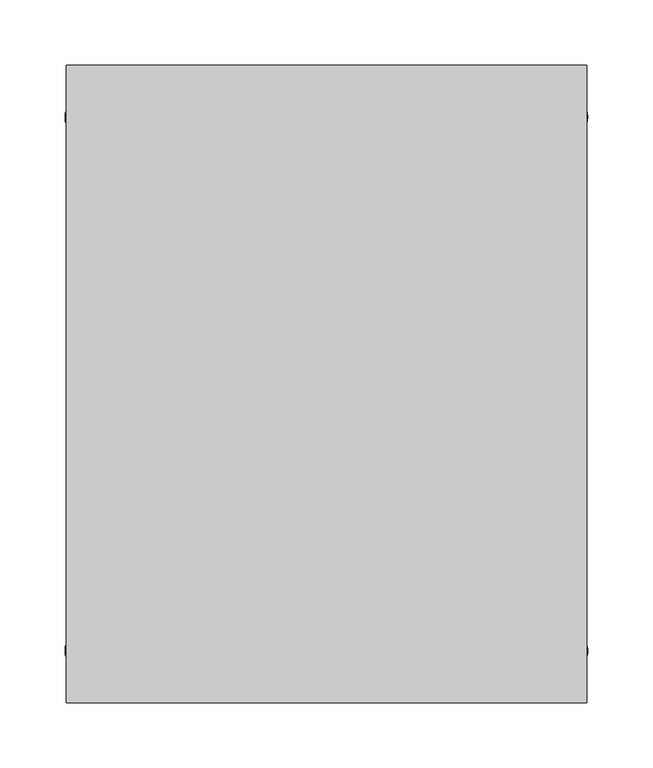
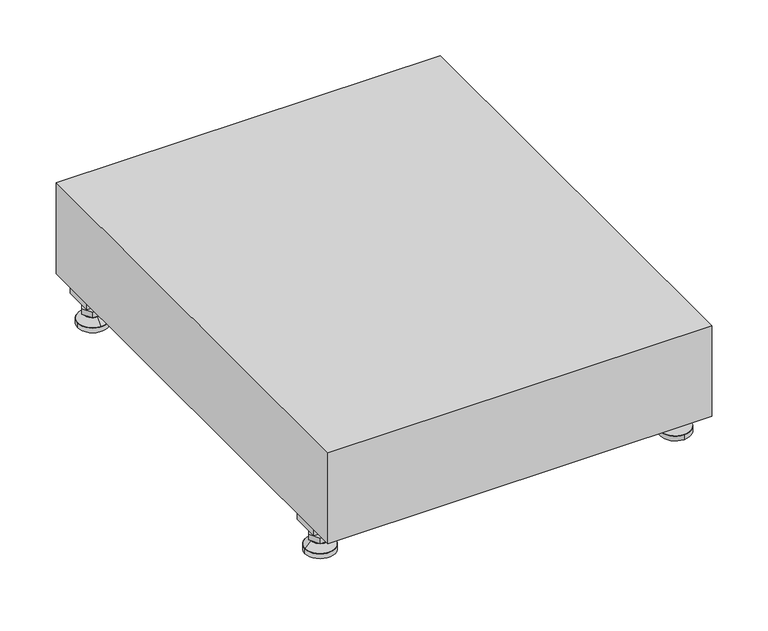
"""IFC4 building model written with IfcOpenShell, lengths in millimetres: furniture geometry."""

from ifc_helpers import new_model, si_unit, point, frame, frame_2d, origin, origin_with_axes, place, context, project, spatial, polyline, circle_curve, trimmed, segment, composite_curve, outline, extrude, source, transform, mapped, element, save
from ifc_brep_helpers import plane_surface, revolved_surface, advanced_brep


def furniture_e2d35288(model_context):
    return source(origin(), model_context, "Body", "SolidModel", [
        extrude(outline(polyline([(-200.0, 245.0), (200.0, 245.0), (200.0, -245.0), (-200.0, -245.0), (-200.0, 245.0)])), frame((0.0, 0.0, 35.0), z_axis=(0.0, 0.0, 1.0), x_axis=(1.0, 0.0, 0.0)), (0.0, 0.0, 1.0), 100.0),
        extrude(outline(polyline([(200.0, 220.0), (200.0, 190.0), (170.0, 190.0), (170.0, 220.0), (200.0, 220.0)]), holes=[polyline([(198.0, 218.0), (172.0, 218.0), (172.0, 192.0), (198.0, 192.0), (198.0, 218.0)])]), frame((0.0, 0.0, 28.5), z_axis=(0.0, 0.0, 1.0), x_axis=(1.0, 0.0, 0.0)), (0.0, 0.0, 1.0), 6.5),
        extrude(outline(polyline([(170.0, -220.0), (170.0, -190.0), (200.0, -190.0), (200.0, -220.0), (170.0, -220.0)]), holes=[polyline([(172.0, -218.0), (198.0, -218.0), (198.0, -192.0), (172.0, -192.0), (172.0, -218.0)])]), frame((0.0, 0.0, 28.5), z_axis=(0.0, 0.0, 1.0), x_axis=(1.0, 0.0, 0.0)), (0.0, 0.0, 1.0), 6.5),
        extrude(outline(polyline([(-170.0, 220.0), (-170.0, 190.0), (-200.0, 190.0), (-200.0, 220.0), (-170.0, 220.0)]), holes=[polyline([(-172.0, 218.0), (-198.0, 218.0), (-198.0, 192.0), (-172.0, 192.0), (-172.0, 218.0)])]), frame((0.0, 0.0, 28.5), z_axis=(0.0, 0.0, 1.0), x_axis=(1.0, 0.0, 0.0)), (0.0, 0.0, 1.0), 6.5),
        extrude(outline(polyline([(-170.0, -190.0), (-170.0, -220.0), (-200.0, -220.0), (-200.0, -190.0), (-170.0, -190.0)]), holes=[polyline([(-198.0, -218.0), (-172.0, -218.0), (-172.0, -192.0), (-198.0, -192.0), (-198.0, -218.0)])]), frame((0.0, 0.0, 28.5), z_axis=(0.0, 0.0, 1.0), x_axis=(1.0, 0.0, 0.0)), (0.0, 0.0, 1.0), 6.5),
        extrude(outline(composite_curve([segment(trimmed(circle_curve(frame_2d((-185.0, 205.0)), 5.0), [point((-180.0, 205.0))], [point((-190.0, 205.0))], False, "CARTESIAN"), True, "CONTINUOUS"), segment(trimmed(circle_curve(frame_2d((-185.0, 205.0)), 5.0), [point((-190.0, 205.0))], [point((-180.0, 205.0))], False, "CARTESIAN"), True, "CONTINUOUS")], self_intersect=False)), frame((0.0, 0.0, 19.6), z_axis=(0.0, 0.0, 1.0), x_axis=(1.0, 0.0, 0.0)), (0.0, 0.0, 1.0), 15.4),
        extrude(outline(composite_curve([segment(trimmed(circle_curve(frame_2d((-185.0, -205.0)), 5.0), [point((-180.0, -205.0))], [point((-190.0, -205.0))], False, "CARTESIAN"), True, "CONTINUOUS"), segment(trimmed(circle_curve(frame_2d((-185.0, -205.0)), 5.0), [point((-190.0, -205.0))], [point((-180.0, -205.0))], False, "CARTESIAN"), True, "CONTINUOUS")], self_intersect=False)), frame((0.0, 0.0, 19.6), z_axis=(0.0, 0.0, 1.0), x_axis=(1.0, 0.0, 0.0)), (0.0, 0.0, 1.0), 15.4),
        extrude(outline(composite_curve([segment(trimmed(circle_curve(frame_2d((185.0, 205.0)), 5.0), [point((190.0, 205.0))], [point((180.0, 205.0))], False, "CARTESIAN"), True, "CONTINUOUS"), segment(trimmed(circle_curve(frame_2d((185.0, 205.0)), 5.0), [point((180.0, 205.0))], [point((190.0, 205.0))], False, "CARTESIAN"), True, "CONTINUOUS")], self_intersect=False)), frame((0.0, 0.0, 19.6), z_axis=(0.0, 0.0, 1.0), x_axis=(1.0, 0.0, 0.0)), (0.0, 0.0, 1.0), 15.4),
        extrude(outline(polyline([(173.4529946, 205.0), (179.2264973, 215.0), (190.7735027, 215.0), (196.5470054, 205.0), (190.7735027, 195.0), (179.2264973, 195.0), (173.4529946, 205.0)])), frame((0.0, 0.0, 13.6), z_axis=(0.0, 0.0, 1.0), x_axis=(1.0, 0.0, 0.0)), (0.0, 0.0, 1.0), 6.0),
        extrude(outline(composite_curve([segment(trimmed(circle_curve(frame_2d((185.0, -205.0)), 5.0), [point((190.0, -205.0))], [point((180.0, -205.0))], False, "CARTESIAN"), True, "CONTINUOUS"), segment(trimmed(circle_curve(frame_2d((185.0, -205.0)), 5.0), [point((180.0, -205.0))], [point((190.0, -205.0))], False, "CARTESIAN"), True, "CONTINUOUS")], self_intersect=False)), frame((0.0, 0.0, 19.6), z_axis=(0.0, 0.0, 1.0), x_axis=(1.0, 0.0, 0.0)), (0.0, 0.0, 1.0), 15.4),
        extrude(outline(polyline([(173.4529946, -205.0), (179.2264973, -195.0), (190.7735027, -195.0), (196.5470054, -205.0), (190.7735027, -215.0), (179.2264973, -215.0), (173.4529946, -205.0)])), frame((0.0, 0.0, 13.6), z_axis=(0.0, 0.0, 1.0), x_axis=(1.0, 0.0, 0.0)), (0.0, 0.0, 1.0), 6.0),
        extrude(outline(composite_curve([segment(trimmed(circle_curve(frame_2d((185.0, 205.0)), 5.0), [point((190.0, 205.0))], [point((180.0, 205.0))], False, "CARTESIAN"), True, "CONTINUOUS"), segment(trimmed(circle_curve(frame_2d((185.0, 205.0)), 5.0), [point((180.0, 205.0))], [point((190.0, 205.0))], False, "CARTESIAN"), True, "CONTINUOUS")], self_intersect=False)), frame((0.0, 0.0, 12.1), z_axis=(0.0, 0.0, 1.0), x_axis=(1.0, 0.0, 0.0)), (0.0, 0.0, 1.0), 1.5),
        extrude(outline(composite_curve([segment(trimmed(circle_curve(frame_2d((185.0, -205.0)), 5.0), [point((190.0, -205.0))], [point((180.0, -205.0))], False, "CARTESIAN"), True, "CONTINUOUS"), segment(trimmed(circle_curve(frame_2d((185.0, -205.0)), 5.0), [point((180.0, -205.0))], [point((190.0, -205.0))], False, "CARTESIAN"), True, "CONTINUOUS")], self_intersect=False)), frame((0.0, 0.0, 12.1), z_axis=(0.0, 0.0, 1.0), x_axis=(1.0, 0.0, 0.0)), (0.0, 0.0, 1.0), 1.5),
        extrude(outline(polyline([(-196.5470054, 205.0), (-190.7735027, 215.0), (-179.2264973, 215.0), (-173.4529946, 205.0), (-179.2264973, 195.0), (-190.7735027, 195.0), (-196.5470054, 205.0)])), frame((0.0, 0.0, 13.6), z_axis=(0.0, 0.0, 1.0), x_axis=(1.0, 0.0, 0.0)), (0.0, 0.0, 1.0), 6.0),
        extrude(outline(polyline([(-196.5470054, -205.0), (-190.7735027, -195.0), (-179.2264973, -195.0), (-173.4529946, -205.0), (-179.2264973, -215.0), (-190.7735027, -215.0), (-196.5470054, -205.0)])), frame((0.0, 0.0, 13.6), z_axis=(0.0, 0.0, 1.0), x_axis=(1.0, 0.0, 0.0)), (0.0, 0.0, 1.0), 6.0),
        extrude(outline(composite_curve([segment(trimmed(circle_curve(frame_2d((-185.0, 205.0)), 5.0), [point((-185.0, 210.0))], [point((-185.0, 200.0))], False, "CARTESIAN"), True, "CONTINUOUS"), segment(trimmed(circle_curve(frame_2d((-185.0, 205.0)), 5.0), [point((-185.0, 200.0))], [point((-185.0, 210.0))], False, "CARTESIAN"), True, "CONTINUOUS")], self_intersect=False)), frame((0.0, 0.0, 12.1), z_axis=(0.0, 0.0, 1.0), x_axis=(1.0, 0.0, 0.0)), (0.0, 0.0, 1.0), 1.5),
        extrude(outline(composite_curve([segment(trimmed(circle_curve(frame_2d((-185.0, -205.0)), 5.0), [point((-180.0, -205.0))], [point((-190.0, -205.0))], False, "CARTESIAN"), True, "CONTINUOUS"), segment(trimmed(circle_curve(frame_2d((-185.0, -205.0)), 5.0), [point((-190.0, -205.0))], [point((-180.0, -205.0))], False, "CARTESIAN"), True, "CONTINUOUS")], self_intersect=False)), frame((0.0, 0.0, 12.1), z_axis=(0.0, 0.0, 1.0), x_axis=(1.0, 0.0, 0.0)), (0.0, 0.0, 1.0), 1.5),
        extrude(outline(composite_curve([segment(trimmed(circle_curve(frame_2d((185.0, 205.0)), 15.75), [point((200.75, 205.0))], [point((169.25, 205.0))], False, "CARTESIAN"), True, "CONTINUOUS"), segment(trimmed(circle_curve(frame_2d((185.0, 205.0)), 15.75), [point((169.25, 205.0))], [point((200.75, 205.0))], False, "CARTESIAN"), True, "CONTINUOUS")], self_intersect=False)), origin_with_axes(), (0.0, 0.0, 1.0), 5.1),
        extrude(outline(composite_curve([segment(trimmed(circle_curve(frame_2d((185.0, -205.0)), 15.75), [point((185.0, -189.25))], [point((185.0, -220.75))], False, "CARTESIAN"), True, "CONTINUOUS"), segment(trimmed(circle_curve(frame_2d((185.0, -205.0)), 15.75), [point((185.0, -220.75))], [point((185.0, -189.25))], False, "CARTESIAN"), True, "CONTINUOUS")], self_intersect=False)), origin_with_axes(), (0.0, 0.0, 1.0), 5.1),
        extrude(outline(composite_curve([segment(trimmed(circle_curve(frame_2d((-185.0, -205.0)), 15.75), [point((-169.25, -205.0))], [point((-200.75, -205.0))], False, "CARTESIAN"), True, "CONTINUOUS"), segment(trimmed(circle_curve(frame_2d((-185.0, -205.0)), 15.75), [point((-200.75, -205.0))], [point((-169.25, -205.0))], False, "CARTESIAN"), True, "CONTINUOUS")], self_intersect=False)), origin_with_axes(), (0.0, 0.0, 1.0), 5.1),
        extrude(outline(composite_curve([segment(trimmed(circle_curve(frame_2d((-185.0, 205.0)), 15.75), [point((-169.25, 205.0))], [point((-200.75, 205.0))], False, "CARTESIAN"), True, "CONTINUOUS"), segment(trimmed(circle_curve(frame_2d((-185.0, 205.0)), 15.75), [point((-200.75, 205.0))], [point((-169.25, 205.0))], False, "CARTESIAN"), True, "CONTINUOUS")], self_intersect=False)), origin_with_axes(), (0.0, 0.0, 1.0), 5.1),
        advanced_brep(
        [(-185.0, 220.75, 5.1), (-185.0, 189.25, 5.1), (-185.0, 214.5, 12.1), (-185.0, 195.5, 12.1)],
        [
            (0, 1, circle_curve(frame((-185.0, 205.0, 5.1), z_axis=(0.0, 0.0, -1.0), x_axis=(0.0, 1.0, 0.0)), 15.75)),
            (1, 0, circle_curve(frame((-185.0, 205.0, 5.1), z_axis=(0.0, 0.0, -1.0), x_axis=(0.0, -1.0, 0.0)), 15.75)),
            (2, 3, circle_curve(frame((-185.0, 205.0, 12.1), z_axis=(0.0, 0.0, 1.0), x_axis=(0.0, -1.0, 0.0)), 9.5)),
            (3, 2, circle_curve(frame((-185.0, 205.0, 12.1), z_axis=(0.0, 0.0, 1.0), x_axis=(0.0, 1.0, 0.0)), 9.5)),
            (3, 1),
            (0, 2),
        ],
        [
            plane_surface(frame((-185.0, 205.0, 5.1), z_axis=(0.0, 0.0, -1.0), x_axis=(1.0, 0.0, 0.0))),
            plane_surface(frame((-185.0, 205.0, 12.1), z_axis=(0.0, 0.0, 1.0), x_axis=(1.0, 0.0, 0.0))),
            revolved_surface(polyline([(-185.0, 195.5, 12.099999999999998), (-185.0, 189.25, 5.099999999999998)]), (-185.0, 205.0, 22.74), (0.0, 0.0, -1.0)),
            revolved_surface(polyline([(-185.0, 214.5, 12.099999999999998), (-185.0, 220.75, 5.099999999999998)]), (-185.0, 205.0, 22.74), (0.0, 0.0, -1.0)),
        ],
        [
            (0, [[1, 2]]),
            (1, [[3, 4]]),
            (2, [[-4, 5, -1, 6]]),
            (3, [[-3, -6, -2, -5]]),
        ],
    ),
        advanced_brep(
        [(185.0, 220.75, 5.1), (185.0, 189.25, 5.1), (185.0, 214.5, 12.1), (185.0, 195.5, 12.1)],
        [
            (0, 1, circle_curve(frame((185.0, 205.0, 5.1), z_axis=(0.0, 0.0, -1.0), x_axis=(0.0, 1.0, 0.0)), 15.75)),
            (1, 0, circle_curve(frame((185.0, 205.0, 5.1), z_axis=(0.0, 0.0, -1.0), x_axis=(0.0, -1.0, 0.0)), 15.75)),
            (2, 3, circle_curve(frame((185.0, 205.0, 12.1), z_axis=(0.0, 0.0, 1.0), x_axis=(0.0, -1.0, 0.0)), 9.5)),
            (3, 2, circle_curve(frame((185.0, 205.0, 12.1), z_axis=(0.0, 0.0, 1.0), x_axis=(0.0, 1.0, 0.0)), 9.5)),
            (3, 1),
            (0, 2),
        ],
        [
            plane_surface(frame((185.0, 205.0, 5.1), z_axis=(0.0, 0.0, -1.0), x_axis=(1.0, 0.0, 0.0))),
            plane_surface(frame((185.0, 205.0, 12.1), z_axis=(0.0, 0.0, 1.0), x_axis=(1.0, 0.0, 0.0))),
            revolved_surface(polyline([(185.0, 195.5, 12.099999999999998), (185.0, 189.25, 5.099999999999998)]), (185.0, 205.0, 22.74), (0.0, 0.0, -1.0)),
            revolved_surface(polyline([(185.0, 214.5, 12.099999999999998), (185.0, 220.75, 5.099999999999998)]), (185.0, 205.0, 22.74), (0.0, 0.0, -1.0)),
        ],
        [
            (0, [[1, 2]]),
            (1, [[3, 4]]),
            (2, [[-4, 5, -1, 6]]),
            (3, [[-3, -6, -2, -5]]),
        ],
    ),
        advanced_brep(
        [(194.5, -205.0, 12.1), (175.5, -205.0, 12.1), (200.75, -205.0, 5.1), (169.25, -205.0, 5.1)],
        [
            (0, 1, circle_curve(frame((185.0, -205.0, 12.1), z_axis=(0.0, 0.0, 1.0), x_axis=(1.0, 0.0, 0.0)), 9.5)),
            (1, 0, circle_curve(frame((185.0, -205.0, 12.1), z_axis=(0.0, 0.0, 1.0), x_axis=(-1.0, 0.0, 0.0)), 9.5)),
            (2, 3, circle_curve(frame((185.0, -205.0, 5.1), z_axis=(0.0, 0.0, -1.0), x_axis=(-1.0, 0.0, 0.0)), 15.75)),
            (3, 2, circle_curve(frame((185.0, -205.0, 5.1), z_axis=(0.0, 0.0, -1.0), x_axis=(1.0, 0.0, 0.0)), 15.75)),
            (3, 1),
            (0, 2),
        ],
        [
            plane_surface(frame((185.0, -205.0, 12.1), z_axis=(0.0, 0.0, 1.0), x_axis=(0.0, 1.0, 0.0))),
            plane_surface(frame((185.0, -205.0, 5.1), z_axis=(0.0, 0.0, -1.0), x_axis=(0.0, 1.0, 0.0))),
            revolved_surface(polyline([(194.5, -205.0, 12.099999999999998), (200.75, -205.0, 5.099999999999998)]), (185.0, -205.0, 22.74), (0.0, 0.0, -1.0)),
            revolved_surface(polyline([(175.5, -205.0, 12.099999999999998), (169.25, -205.0, 5.099999999999998)]), (185.0, -205.0, 22.74), (0.0, 0.0, -1.0)),
        ],
        [
            (0, [[1, 2]]),
            (1, [[3, 4]]),
            (2, [[-4, 5, -1, 6]]),
            (3, [[-3, -6, -2, -5]]),
        ],
    ),
        advanced_brep(
        [(-175.5, -205.0, 12.1), (-194.5, -205.0, 12.1), (-169.25, -205.0, 5.1), (-200.75, -205.0, 5.1)],
        [
            (0, 1, circle_curve(frame((-185.0, -205.0, 12.1), z_axis=(0.0, 0.0, 1.0), x_axis=(1.0, 0.0, 0.0)), 9.5)),
            (1, 0, circle_curve(frame((-185.0, -205.0, 12.1), z_axis=(0.0, 0.0, 1.0), x_axis=(-1.0, 0.0, 0.0)), 9.5)),
            (2, 3, circle_curve(frame((-185.0, -205.0, 5.1), z_axis=(0.0, 0.0, -1.0), x_axis=(-1.0, 0.0, 0.0)), 15.75)),
            (3, 2, circle_curve(frame((-185.0, -205.0, 5.1), z_axis=(0.0, 0.0, -1.0), x_axis=(1.0, 0.0, 0.0)), 15.75)),
            (3, 1),
            (0, 2),
        ],
        [
            plane_surface(frame((-185.0, -205.0, 12.1), z_axis=(0.0, 0.0, 1.0), x_axis=(0.0, 1.0, 0.0))),
            plane_surface(frame((-185.0, -205.0, 5.1), z_axis=(0.0, 0.0, -1.0), x_axis=(0.0, 1.0, 0.0))),
            revolved_surface(polyline([(-175.5, -205.0, 12.099999999999998), (-169.25, -205.0, 5.099999999999998)]), (-185.0, -205.0, 22.74), (0.0, 0.0, -1.0)),
            revolved_surface(polyline([(-194.5, -205.0, 12.099999999999998), (-200.75, -205.0, 5.099999999999998)]), (-185.0, -205.0, 22.74), (0.0, 0.0, -1.0)),
        ],
        [
            (0, [[1, 2]]),
            (1, [[3, 4]]),
            (2, [[-4, 5, -1, 6]]),
            (3, [[-3, -6, -2, -5]]),
        ],
    ),
    ])


if __name__ == "__main__":
    model = new_model("IFC4")
    model_context = context("Model", 3, world=origin())
    ifc_project = project(units=[si_unit("LENGTHUNIT", "METRE", prefix="MILLI")], contexts=[model_context])
    site = spatial("IfcSite", under=ifc_project)
    building = spatial("IfcBuilding", under=site)
    placement = place(None, origin())
    furniture_shape = furniture_e2d35288(model_context)
    element("IfcFurniture", 1, at=placement, inside=building, context=model_context, shape_type="MappedRepresentation", body=[
        mapped(furniture_shape, transform((0.0, 0.0, 0.0), x_axis=(1.0, 0.0, 0.0), y_axis=(0.0, 1.0, 0.0), z_axis=(0.0, 0.0, 1.0))),
    ])
    save(model, "model.ifc")
